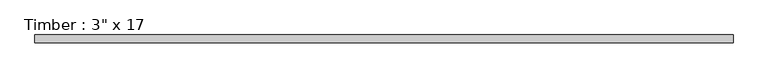
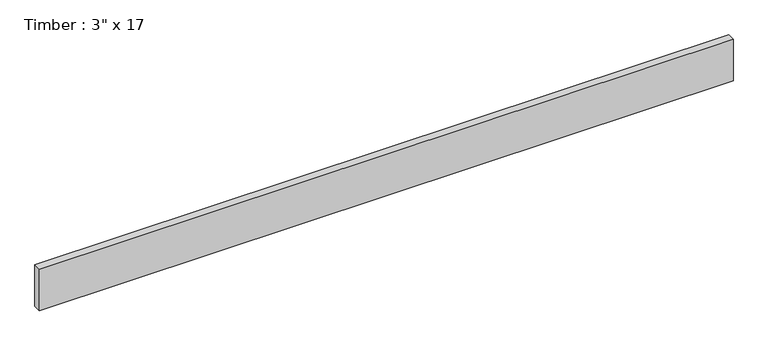
"""IFC4 building model written with IfcOpenShell, lengths in millimetres: beam geometry."""

from ifc_helpers import new_model, si_unit, frame, origin, place, context, project, spatial, polyline, outline, extrude, source, transform, mapped, element, save


def beam_7c70454d(model_context):
    return source(origin(), model_context, "Body", "SweptSolid", [
        extrude(outline(polyline([(3409.95, 38.1), (3409.95, -38.1), (-3409.95, -38.1), (-3409.95, 38.1), (3409.95, 38.1)])), frame((0.0, 0.0, -215.9), z_axis=(0.0, 0.0, 1.0), x_axis=(1.0, 0.0, 0.0)), (0.0, 0.0, 1.0), 431.8),
    ])


if __name__ == "__main__":
    model = new_model("IFC4")
    model_context = context("Model", 3, world=origin())
    ifc_project = project(units=[si_unit("LENGTHUNIT", "METRE", prefix="MILLI")], contexts=[model_context])
    site = spatial("IfcSite", under=ifc_project)
    building = spatial("IfcBuilding", under=site)
    placement = place(None, origin())
    beam_shape = beam_7c70454d(model_context)
    element("IfcBeam", 1, ObjectType="Timber : 3\" x 17", at=placement, inside=building, context=model_context, shape_type="MappedRepresentation", body=[
        mapped(beam_shape, transform((0.0, 0.0, 0.0), x_axis=(1.0, 0.0, 0.0), y_axis=(0.0, 1.0, 0.0), z_axis=(0.0, 0.0, 1.0))),
    ])
    save(model, "model.ifc")
